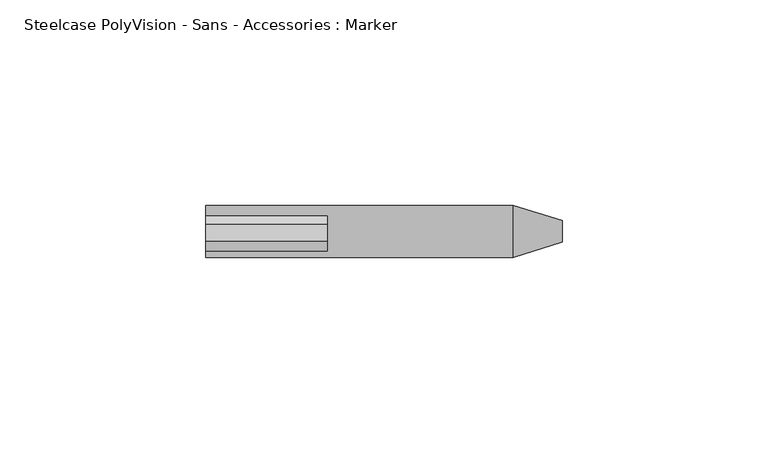
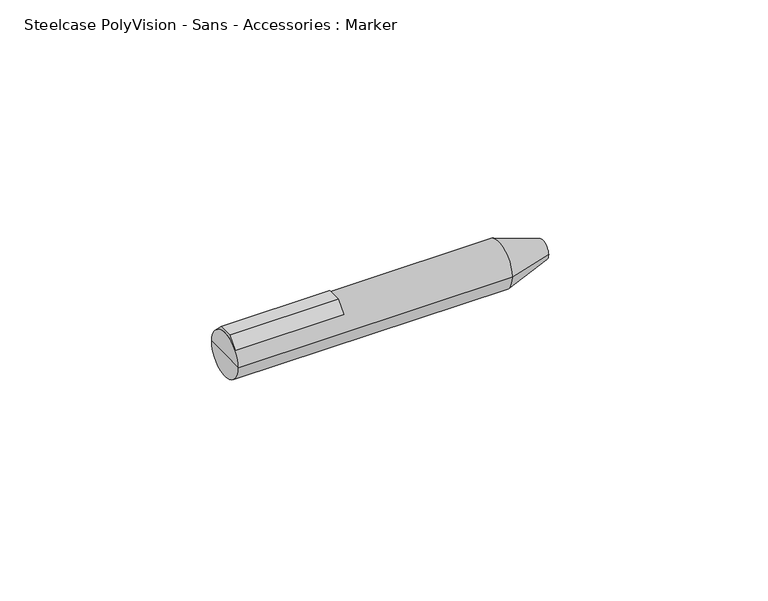
"""IFC4 building model written with IfcOpenShell, lengths in millimetres: furniture geometry, Steelcase PolyVision - Sans - Accessories : Marker."""

from ifc_helpers import new_model, si_unit, point, frame, frame_2d, origin, place, context, project, spatial, polyline, circle_curve, trimmed, segment, composite_curve, outline, extrude, source, transform, mapped, element, save
from ifc_brep_helpers import plane_surface, cylinder_surface, revolved_surface, advanced_brep


def steelcase_polyvision_sans_accessories_marker_4c0c142a(model_context):
    return source(origin(), model_context, "Body", "SolidModel", [
        extrude(outline(composite_curve([segment(polyline([(-21.9002556, 736.2360759), (-19.3660104, 739.2667045), (-15.3046255, 739.2667045), (-13.2817858, 737.2438649)]), True, "CONTINUOUS"), segment(trimmed(circle_curve(frame_2d((-17.0586838, 732.1875)), 6.3112427), [point((-13.2817858, 737.2438649))], [point((-21.9002556, 736.2360759))], True, "CARTESIAN"), True, "CONTINUOUS")], self_intersect=False)), frame((41.25, 0.0, 0.0), z_axis=(1.0, 0.0, 0.0), x_axis=(0.0, 1.0, 0.0)), (0.0, 0.0, 1.0), 29.5981934),
        advanced_brep(
        [(127.9964493, -19.6689896, 732.1875), (127.9964493, -14.448378, 732.1875), (127.9964493, -17.0586838, 732.1875), (116.0657822, -23.3699265, 732.1875), (116.0657822, -10.7474411, 732.1875), (41.25, -23.3699265, 732.1875), (41.25, -10.7474411, 732.1875), (41.25, -17.0586838, 732.1875)],
        [
            (0, 1, circle_curve(frame((127.9964493, -17.0586838, 732.1875), z_axis=(1.0, 0.0, 0.0), x_axis=(0.0, 1.0, 0.0)), 2.6103058)),
            (1, 2),
            (2, 0),
            (1, 0, circle_curve(frame((127.9964493, -17.0586838, 732.1875), z_axis=(1.0, 0.0, 0.0), x_axis=(0.0, 1.0, 0.0)), 2.6103058)),
            (3, 4, circle_curve(frame((116.0657822, -17.0586838, 732.1875), z_axis=(1.0, 0.0, 0.0), x_axis=(0.0, 1.0, 0.0)), 6.3112427)),
            (4, 1),
            (0, 3),
            (4, 3, circle_curve(frame((116.0657822, -17.0586838, 732.1875), z_axis=(1.0, 0.0, 0.0), x_axis=(0.0, 1.0, 0.0)), 6.3112427)),
            (5, 6, circle_curve(frame((41.25, -17.0586838, 732.1875), z_axis=(1.0, 0.0, 0.0), x_axis=(0.0, 1.0, 0.0)), 6.3112427)),
            (6, 4),
            (3, 5),
            (6, 5, circle_curve(frame((41.25, -17.0586838, 732.1875), z_axis=(1.0, 0.0, 0.0), x_axis=(0.0, 1.0, 0.0)), 6.3112427)),
            (7, 6),
            (5, 7),
        ],
        [
            plane_surface(frame((127.9964493, -17.0586838, 732.1875), z_axis=(1.0, 0.0, 0.0), x_axis=(0.0, 1.0, 0.0))),
            revolved_surface(polyline([(127.9964493, -14.448378, 732.1875), (116.0657822, -10.7474411, 732.1875)]), (41.25, -17.0586838, 732.1875), (-1.0, 0.0, 0.0)),
            cylinder_surface(frame((41.25, -17.0586838, 732.1875), z_axis=(-1.0, 0.0, 0.0), x_axis=(0.0, 1.0, 0.0)), 6.3112427),
            plane_surface(frame((41.25, -17.0586838, 732.1875), z_axis=(-1.0, 0.0, 0.0), x_axis=(0.0, 1.0, 0.0))),
        ],
        [
            (0, [[1, 2, 3]]),
            (0, [[4, -3, -2]]),
            (1, [[5, 6, -1, 7]]),
            (1, [[8, -7, -4, -6]]),
            (2, [[9, 10, -5, 11]]),
            (2, [[12, -11, -8, -10]]),
            (3, [[13, -9, 14]]),
            (3, [[-14, -12, -13]]),
        ],
    ),
    ])


if __name__ == "__main__":
    model = new_model("IFC4")
    model_context = context("Model", 3, world=origin())
    ifc_project = project(units=[si_unit("LENGTHUNIT", "METRE", prefix="MILLI")], contexts=[model_context])
    site = spatial("IfcSite", under=ifc_project)
    building = spatial("IfcBuilding", under=site)
    placement = place(None, origin())
    steelcase_polyvision_sans_accessories_marker_shape = steelcase_polyvision_sans_accessories_marker_4c0c142a(model_context)
    element("IfcFurniture", 1, ObjectType="Steelcase PolyVision - Sans - Accessories : Marker", at=placement, inside=building, context=model_context, shape_type="MappedRepresentation", body=[
        mapped(steelcase_polyvision_sans_accessories_marker_shape, transform((0.0, 0.0, 0.0), x_axis=(1.0, 0.0, 0.0), y_axis=(0.0, 1.0, 0.0), z_axis=(0.0, 0.0, 1.0))),
    ])
    save(model, "model.ifc")
